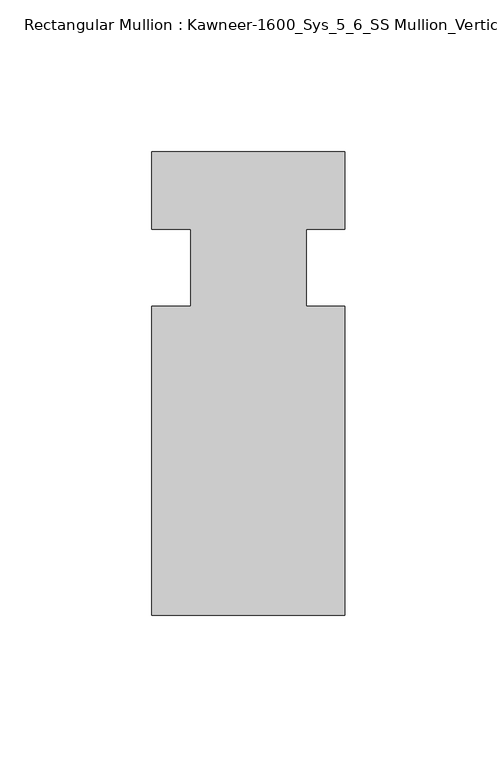
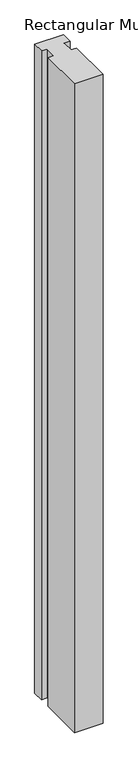
"""IFC4 building model written with IfcOpenShell, lengths in millimetres: member geometry, Rectangular Mullion : Kawneer-1600_Sys_5_6_SS Mullion_Vertical."""

from ifc_helpers import new_model, si_unit, frame, origin, place, context, project, spatial, polyline, outline, extrude, source, transform, mapped, element, save


def rectangular_mullion_kawneer_1600_sys_5_6_ss_mullion_vertical_d5e362dd(model_context):
    return source(origin(), model_context, "Body", "SweptSolid", [
        extrude(outline(polyline([(36.0844027, -114.3), (-27.4155973, -114.3), (-27.4155973, -12.7), (-14.7155973, -12.7), (-14.7155973, 12.7), (-27.4155973, 12.7), (-27.4155973, 38.1), (36.0844027, 38.1), (36.0844027, 12.7), (23.3826322, 12.7), (23.3826322, -12.7), (36.0844027, -12.7), (36.0844027, -114.3)])), frame((0.0, 0.0, -1524.0), z_axis=(0.0, 0.0, 1.0), x_axis=(1.0, 0.0, 0.0)), (0.0, 0.0, 1.0), 1524.0),
    ])


if __name__ == "__main__":
    model = new_model("IFC4")
    model_context = context("Model", 3, world=origin())
    ifc_project = project(units=[si_unit("LENGTHUNIT", "METRE", prefix="MILLI")], contexts=[model_context])
    site = spatial("IfcSite", under=ifc_project)
    building = spatial("IfcBuilding", under=site)
    placement = place(None, origin())
    rectangular_mullion_kawneer_1600_sys_5_6_ss_mullion_vertical_shape = rectangular_mullion_kawneer_1600_sys_5_6_ss_mullion_vertical_d5e362dd(model_context)
    element("IfcMember", 1, ObjectType="Rectangular Mullion : Kawneer-1600_Sys_5_6_SS Mullion_Vertical", at=placement, inside=building, context=model_context, shape_type="MappedRepresentation", body=[
        mapped(rectangular_mullion_kawneer_1600_sys_5_6_ss_mullion_vertical_shape, transform((0.0, 0.0, 0.0), x_axis=(1.0, 0.0, 0.0), y_axis=(0.0, 1.0, 0.0), z_axis=(0.0, 0.0, 1.0))),
    ])
    save(model, "model.ifc")
